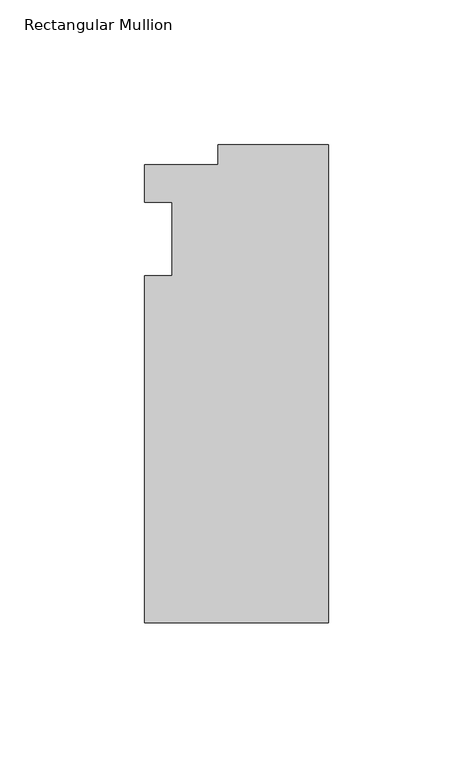
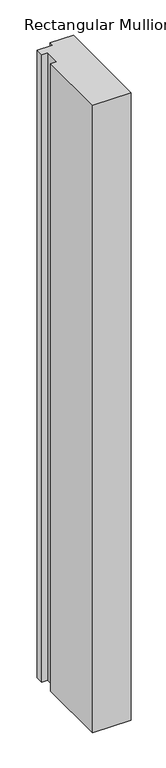
"""IFC4 building model written with IfcOpenShell, lengths in millimetres: member geometry, Rectangular Mullion."""

from ifc_helpers import new_model, si_unit, frame, origin, place, context, project, spatial, polyline, outline, extrude, source, transform, mapped, element, save


def rectangular_mullion_bfd28dae(model_context):
    return source(origin(), model_context, "Body", "SweptSolid", [
        extrude(outline(polyline([(-38.1, 32.54375), (0.0, 32.54375), (0.0, -132.55625), (-63.5, -132.55625), (-63.5, -12.7), (-53.975, -12.7), (-53.975, 12.7), (-63.5, 12.7), (-63.5, 25.58415), (-38.1, 25.58415), (-38.1, 32.54375)])), frame((0.0, 0.0, -1093.36492), z_axis=(0.0, 0.0, 1.0), x_axis=(1.0, 0.0, 0.0)), (0.0, 0.0, 1.0), 1093.36492),
    ])


if __name__ == "__main__":
    model = new_model("IFC4")
    model_context = context("Model", 3, world=origin())
    ifc_project = project(units=[si_unit("LENGTHUNIT", "METRE", prefix="MILLI")], contexts=[model_context])
    site = spatial("IfcSite", under=ifc_project)
    building = spatial("IfcBuilding", under=site)
    placement = place(None, origin())
    rectangular_mullion_shape = rectangular_mullion_bfd28dae(model_context)
    element("IfcMember", 1, ObjectType="Rectangular Mullion", at=placement, inside=building, context=model_context, shape_type="MappedRepresentation", body=[
        mapped(rectangular_mullion_shape, transform((0.0, 0.0, 0.0), x_axis=(1.0, 0.0, 0.0), y_axis=(0.0, 1.0, 0.0), z_axis=(0.0, 0.0, 1.0))),
    ])
    save(model, "model.ifc")
